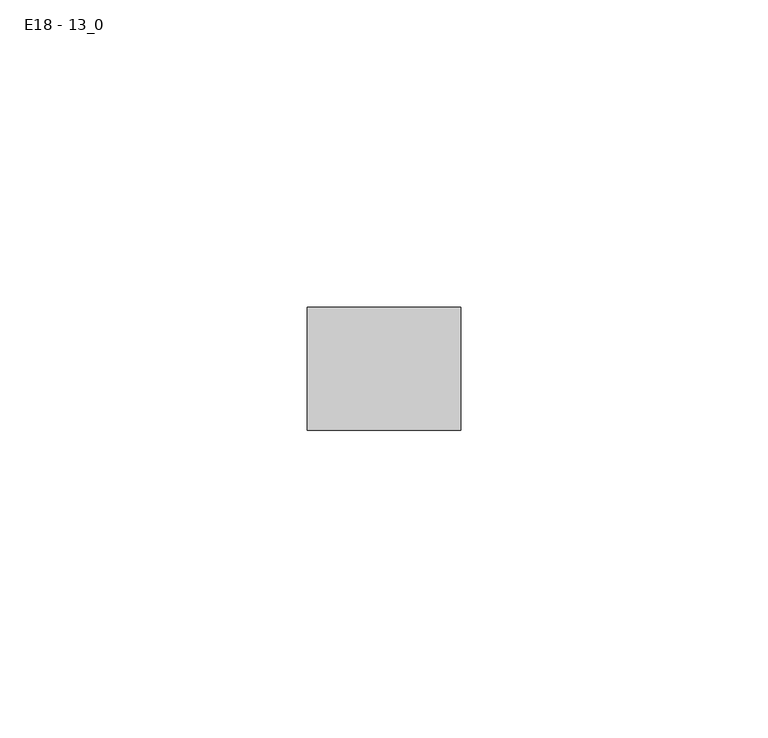
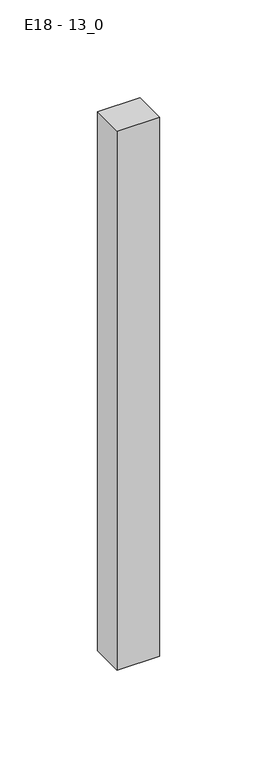
"""IFC4 building model written with IfcOpenShell, lengths in millimetres: proxy geometry, E18 - 13_0."""

import ifcopenshell
import ifcopenshell.guid

model = None  # the IFC model being written
_history = None  # IfcOwnerHistory: only IFC2X3 demands one
_inside = {}  # id of a spatial element -> (the spatial element, [elements in it])
_under = {}  # id of a project, library or spatial element -> (it, [spatial elements below it])
_declared = {}  # id of a project -> (the project, [libraries it declares])
_typed = {}  # id of a type object -> (the type object, [elements of that type])
_made_of = {}  # id of a material, layer set ... -> (it, [elements and type objects made of it])


def new_model(schema):
    """Start an empty IFC model of exactly this schema.

    Asked for "IFC4X3", IfcOpenShell would pick the latest addendum, in which some entities
    have other attributes; the version numbers below select the first issue.
    IFC2X3 requires an IfcOwnerHistory on every rooted entity: one is made here for all.
    """
    global model, _history
    if schema == "IFC4X3":
        model = ifcopenshell.file(schema_version=(4, 3, 0, 0))
    else:
        model = ifcopenshell.file(schema=schema)
    _inside.clear()
    _under.clear()
    _declared.clear()
    _typed.clear()
    _made_of.clear()
    _history = None
    if model.schema == "IFC2X3":
        org = make("IfcOrganization", Name="unknown")
        user = make(
            "IfcPersonAndOrganization",
            ThePerson=make("IfcPerson", FamilyName="unknown"),
            TheOrganization=org,
        )
        app = make(
            "IfcApplication",
            ApplicationDeveloper=org,
            Version="unknown",
            ApplicationFullName="unknown",
            ApplicationIdentifier="unknown",
        )
        _history = make(
            "IfcOwnerHistory",
            OwningUser=user,
            OwningApplication=app,
            ChangeAction="ADDED",
            CreationDate=0,
        )
    return model


def make(cls, **values):
    """One entity of the class cls with the attributes given. An attribute that is None is left unset."""
    return model.create_entity(
        cls, **{name: value for name, value in values.items() if value is not None}
    )


def rooted(cls, **values):
    """An entity with a GlobalId (a new one), such as an element, a storey or a relation."""
    return make(cls, GlobalId=ifcopenshell.guid.new(), OwnerHistory=_history, **values)


def si_unit(unit_type, name, prefix=None):
    """IfcSIUnit, for example si_unit("LENGTHUNIT", "METRE", prefix="MILLI")."""
    return make("IfcSIUnit", UnitType=unit_type, Prefix=prefix, Name=name)


def assignment(units):
    """IfcUnitAssignment: the units of a project."""
    return None if units is None else make("IfcUnitAssignment", Units=units)


def point(xyz):
    """IfcCartesianPoint."""
    return None if xyz is None else make("IfcCartesianPoint", Coordinates=xyz)


def direction(xyz):
    """IfcDirection."""
    return None if xyz is None else make("IfcDirection", DirectionRatios=xyz)


def frame(location, z_axis=None, x_axis=None):
    """IfcAxis2Placement3D, a coordinate frame: its origin and axes. An axis left out is left unset."""
    return make(
        "IfcAxis2Placement3D",
        Location=point(location),
        Axis=direction(z_axis),
        RefDirection=direction(x_axis),
    )


def origin():
    """The frame at (0, 0, 0) with its axes left unset."""
    return frame((0.0, 0.0, 0.0))


def place(relative_to, where):
    """IfcLocalPlacement: puts the frame where relative to a parent placement (None: the world)."""
    return make(
        "IfcLocalPlacement", PlacementRelTo=relative_to, RelativePlacement=where
    )


def context(
    kind, dimensions, precision=None, world=None, true_north=None, identifier=None
):
    """IfcGeometricRepresentationContext, for example the 3D "Model" context."""
    return make(
        "IfcGeometricRepresentationContext",
        ContextIdentifier=identifier,
        ContextType=kind,
        CoordinateSpaceDimension=dimensions,
        Precision=precision,
        WorldCoordinateSystem=world,
        TrueNorth=true_north,
    )


def project(units=None, contexts=None):
    """IfcProject with its units and contexts."""
    return rooted(
        "IfcProject",
        Name="project",
        RepresentationContexts=contexts,
        UnitsInContext=assignment(units),
    )


def spatial(cls, under=None, at=None, **own):
    """A site, building, storey or space (cls), placed at a placement, below another one or the project."""
    s = rooted(cls, ObjectPlacement=at, **own)
    if under is not None:
        _under.setdefault(under.id(), (under, []))[1].append(s)
    return s


def polyline(points):
    """IfcPolyline through the points."""
    return make("IfcPolyline", Points=[point(p) for p in points])


def outline(outer, holes=None, kind="AREA"):
    """IfcArbitraryClosedProfileDef: a profile drawn as a closed curve; with holes, ...WithVoids."""
    if holes is None:
        return make("IfcArbitraryClosedProfileDef", ProfileType=kind, OuterCurve=outer)
    return make(
        "IfcArbitraryProfileDefWithVoids",
        ProfileType=kind,
        OuterCurve=outer,
        InnerCurves=holes,
    )


def extrude(swept, where, along, depth):
    """IfcExtrudedAreaSolid: the profile swept, set in the frame where, extruded along a direction by depth."""
    return make(
        "IfcExtrudedAreaSolid",
        SweptArea=swept,
        Position=where,
        ExtrudedDirection=direction(along),
        Depth=depth,
    )


def shape(context_of_items, identifier, shape_type, items):
    """IfcShapeRepresentation: the items that make up one representation, for example the "Body"."""
    return make(
        "IfcShapeRepresentation",
        ContextOfItems=context_of_items,
        RepresentationIdentifier=identifier,
        RepresentationType=shape_type,
        Items=items,
    )


def source(mapping_origin, context_of_items, identifier, shape_type, items):
    """IfcRepresentationMap: a shape defined once, which mapped items show again and again."""
    return make(
        "IfcRepresentationMap",
        MappingOrigin=mapping_origin,
        MappedRepresentation=shape(context_of_items, identifier, shape_type, items),
    )


def transform(
    local_origin,
    x_axis=None,
    y_axis=None,
    z_axis=None,
    scale=None,
    scale2=None,
    scale3=None,
    uniform=True,
):
    """IfcCartesianTransformationOperator3D, or its non-uniform kind. x_axis, y_axis, z_axis: its Axis1, 2, 3."""
    if uniform:
        return make(
            "IfcCartesianTransformationOperator3D",
            Axis1=direction(x_axis),
            Axis2=direction(y_axis),
            LocalOrigin=point(local_origin),
            Scale=scale,
            Axis3=direction(z_axis),
        )
    return make(
        "IfcCartesianTransformationOperator3DnonUniform",
        Axis1=direction(x_axis),
        Axis2=direction(y_axis),
        LocalOrigin=point(local_origin),
        Scale=scale,
        Axis3=direction(z_axis),
        Scale2=scale2,
        Scale3=scale3,
    )


def mapped(mapping_source, mapping_target):
    """IfcMappedItem: shows the shape of a source again, moved by a transform."""
    return make(
        "IfcMappedItem", MappingSource=mapping_source, MappingTarget=mapping_target
    )


def made_of(thing, what):
    """Note that an element or type object is made of a material, layer set ...; save() writes the relation."""
    if what is not None:
        _made_of.setdefault(what.id(), (what, []))[1].append(thing)
    return thing


def element(
    cls,
    number,
    at=None,
    inside=None,
    cuts=None,
    type_object=None,
    material=None,
    context=None,
    identifier="Body",
    shape_type=None,
    held_by="IfcProductDefinitionShape",
    body=None,
    shapes=None,
    **own,
):
    """One element of the class cls, such as IfcWall. Its Tag is "e" and its number.

    at: its placement. inside: the storey or other place that contains it. cuts: it is an
    opening in that element (IfcRelVoidsElement). A single representation is given by context,
    identifier, shape_type and body (its items); several are given by shapes. held_by: the class
    of the entity that holds the representations. save() writes the other relations.
    """
    e = rooted(cls, Tag="e%d" % number, ObjectPlacement=at, **own)
    if body is not None:
        shapes = [shape(context, identifier, shape_type, body)]
    if shapes is not None:
        e.Representation = make(held_by, Representations=shapes)
    if inside is not None:
        _inside.setdefault(inside.id(), (inside, []))[1].append(e)
    if cuts is not None:
        rooted(
            "IfcRelVoidsElement", RelatingBuildingElement=cuts, RelatedOpeningElement=e
        )
    if type_object is not None:
        _typed.setdefault(type_object.id(), (type_object, []))[1].append(e)
    return made_of(e, material)


def aggregate(whole, parts):
    """IfcRelAggregates: a whole, such as a stair, and the parts it consists of."""
    return rooted("IfcRelAggregates", RelatingObject=whole, RelatedObjects=parts)


def save(model, path):
    """Write the relations noted so far, then the file.

    IfcRelAggregates (storeys below a building ...), IfcRelContainedInSpatialStructure (elements
    in a storey), IfcRelDefinesByType, IfcRelAssociatesMaterial and IfcRelDeclares: one each for
    every whole, place, type object, material and project.
    """
    for whole, parts in _under.values():
        aggregate(whole, parts)
    for where, things in _inside.values():
        rooted(
            "IfcRelContainedInSpatialStructure",
            RelatedElements=things,
            RelatingStructure=where,
        )
    for kind, things in _typed.values():
        rooted("IfcRelDefinesByType", RelatedObjects=things, RelatingType=kind)
    for what, things in _made_of.values():
        rooted("IfcRelAssociatesMaterial", RelatedObjects=things, RelatingMaterial=what)
    for by, libraries in _declared.values():
        rooted("IfcRelDeclares", RelatingContext=by, RelatedDefinitions=libraries)
    model.write(path)


def e18_13_0_069175ee(model_context):
    return source(origin(), model_context, "Body", "SweptSolid", [
        extrude(outline(polyline([(0.0, 0.0), (0.0, 20.0), (25.0, 20.0), (25.0, 0.0), (0.0, 0.0)])), frame((0.0, 0.0, -336.499), z_axis=(0.0, 0.0, 1.0), x_axis=(1.0, 0.0, 0.0)), (0.0, 0.0, 1.0), 336.499),
    ])


if __name__ == "__main__":
    model = new_model("IFC4")
    model_context = context("Model", 3, world=origin())
    ifc_project = project(units=[si_unit("LENGTHUNIT", "METRE", prefix="MILLI")], contexts=[model_context])
    site = spatial("IfcSite", under=ifc_project)
    building = spatial("IfcBuilding", under=site)
    placement = place(None, origin())
    e18_13_0_shape = e18_13_0_069175ee(model_context)
    element("IfcBuildingElementProxy", 1, Name="E18 - 13_0", ObjectType="E18 - 13_0", at=placement, inside=building, context=model_context, shape_type="MappedRepresentation", body=[
        mapped(e18_13_0_shape, transform((0.0, 0.0, 0.0), x_axis=(1.0, 0.0, 0.0), y_axis=(0.0, 1.0, 0.0), z_axis=(0.0, 0.0, 1.0))),
    ])
    save(model, "model.ifc")
